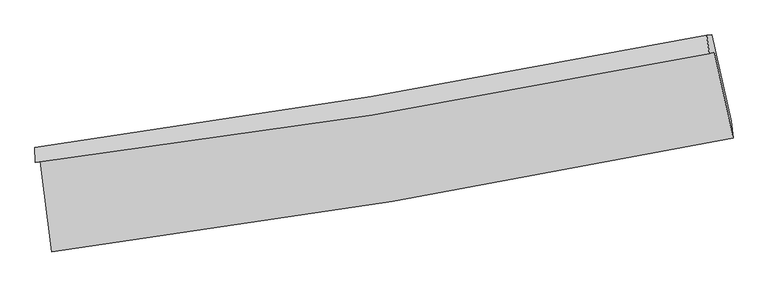
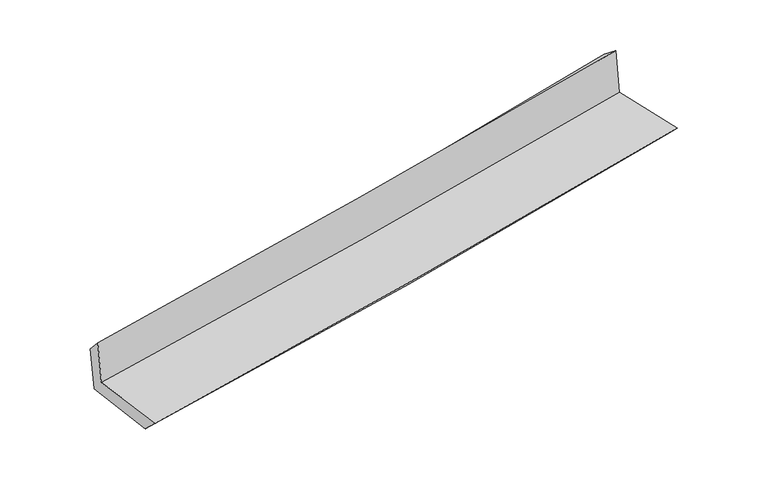
"""IFC4 building model written with IfcOpenShell, lengths in millimetres: proxy geometry."""

from ifc_helpers import new_model, si_unit, frame, origin, place, context, project, spatial, source, transform, mapped, element, save
from ifc_brep_helpers import plane_surface, spline_curve, spline_surface, advanced_brep


def generic_models_5d172f0b(model_context):
    return source(origin(), model_context, "Body", "AdvancedBrep", [
        advanced_brep(
        [(-2558.8700337, -1886.2290459, 1661.5294442), (-2472.1865589, -2566.5332358, 1663.178163), (2644.0991909, -1711.1446552, 2118.9622337), (2503.502883, -1065.7635596, 2111.806903), (-2595.4787237, -1894.6464134, 2051.9589528), (2465.0829718, -1074.5973778, 2521.5529777), (-2598.0095281, -1781.3404502, 1928.3230706), (2445.4244735, -935.3674172, 2411.640414), (-2560.5244981, -1780.069316, 1538.2654676), (2483.7306982, -934.3674089, 2020.4639567), (-2477.1051103, -2420.1576962, 1520.5439111), (2628.4690244, -1581.2587845, 1988.9195935)],
        [
            (0, 1),
            (1, 2, spline_curve(3, [(-2472.1865589, -2566.5332358, 1663.178163), (-1617.149894203, -2456.710997282, 1753.300885132), (-764.197444266, -2330.707856004, 1836.277200679), (941.249355515, -2045.719755069, 1988.267685801), (1793.72548889, -1886.593369185, 2057.219393854), (2644.0991909, -1711.1446552, 2118.9622337)], [4, 2, 4], [0.0, 8.477323221277612, 16.991612991182066])),
            (2, 3),
            (3, 0, spline_curve(3, [(2503.502883, -1065.7635596, 2111.806903), (1661.963169002, -1236.595773167, 2050.96074331), (818.406726146, -1390.495995582, 1982.917283333), (-869.068386672, -1663.837782735, 1832.762435579), (-1712.969582846, -1783.426055594, 1750.713409317), (-2558.8700337, -1886.2290459, 1661.5294442)], [4, 2, 4], [0.0, 8.514289769904455, 16.991612991182066])),
            (4, 0),
            (3, 5),
            (5, 4, spline_curve(3, [(2465.0829718, -1074.5973778, 2521.5529777), (1623.517854041, -1245.435432292, 2460.977749664), (780.100329272, -1399.303713647, 2391.452734913), (-906.769619578, -1672.506356588, 2234.843847453), (-1750.205993231, -1791.987753695, 2147.837520303), (-2595.4787237, -1894.6464134, 2051.9589528)], [4, 2, 4], [0.0, 8.465770054504851, 16.89478421875451])),
            (6, 4),
            (5, 7),
            (7, 6, spline_curve(3, [(2445.4244735, -935.3674172, 2411.640414), (1607.905626795, -1102.967542354, 2327.584601081), (767.940361406, -1257.390124345, 2245.196244751), (-913.225503182, -1539.266957928, 2084.104911319), (-1754.40490475, -1666.835386643, 2005.387486503), (-2598.0095281, -1781.3404502, 1928.3230706)], [4, 2, 4], [0.0, 8.455572354947131, 16.87443309505919])),
            (8, 6),
            (7, 9),
            (9, 8, spline_curve(3, [(2483.7306982, -934.3674089, 2020.4639567), (1646.009173218, -1101.800602999, 1936.988174266), (805.874058023, -1256.117208649, 1854.982846085), (-875.565253694, -1537.904194893, 1694.262757313), (-1716.848537137, -1665.488224697, 1615.535255737), (-2560.5244981, -1780.069316, 1538.2654676)], [4, 2, 4], [0.0, 8.446380568406143, 16.856089430018084])),
            (10, 8),
            (9, 11),
            (11, 10, spline_curve(3, [(2628.4690244, -1581.2587845, 1988.9195935), (1779.909324697, -1749.113219679, 1914.01593105), (929.234742012, -1903.070602127, 1837.44425649), (-772.641627507, -2182.583161005, 1681.304576679), (-1623.825089664, -2308.258749075, 1601.751023643), (-2477.1051103, -2420.1576962, 1520.5439111)], [4, 2, 4], [0.0, 8.494484923847645, 16.952089285900538])),
            (1, 10),
            (11, 2),
        ],
        [
            spline_surface(3, 3, [[(-2558.8700337, -1886.2290459, 1661.5294442), (-1712.969582806, -1783.426055673, 1750.713409383), (-869.068386749, -1663.837782718, 1832.762435593), (818.406726224, -1390.495995599, 1982.917283319), (1661.963169071, -1236.595773095, 2050.960743382), (2503.502883, -1065.7635596, 2111.806903)], [(-2529.975542087, -2112.997109201, 1662.079017133), (-1681.029686617, -2007.854369524, 1751.575901254), (-834.111405927, -1886.127807139, 1833.93402393), (859.354269354, -1608.903915389, 1984.700750833), (1705.883942351, -1453.261638504, 2053.046960199), (2550.368318962, -1280.890591469, 2114.192013237)], [(-2501.081050513, -2339.765172499, 1662.628590067), (-1649.089790467, -2232.28268337, 1752.438393126), (-799.154425146, -2108.417831621, 1835.105612274), (900.301812442, -1827.311835241, 1986.484218355), (1749.804715644, -1669.927503906, 2055.133177004), (2597.233754938, -1496.017623331, 2116.577123463)], [(-2472.1865589, -2566.5332358, 1663.178163), (-1617.149894278, -2456.71099722, 1753.300884997), (-764.197444324, -2330.707856042, 1836.277200611), (941.249355572, -2045.719755031, 1988.26768587), (1793.725488924, -1886.593369315, 2057.219393821), (2644.0991909, -1711.1446552, 2118.9622337)]], [4, 4], [4, 2, 4], [0.0, 2.2007112352398877], [0.0, 8.477323221277612, 16.991612991182066]),
            spline_surface(3, 3, [[(-2595.4787237, -1894.6464134, 2051.9589528), (-1750.205993348, -1791.987753781, 2147.837520352), (-906.76961956, -1672.506356547, 2234.843847377), (780.100329253, -1399.303713689, 2391.452734989), (1623.517853929, -1245.435432376, 2460.977749617), (2465.0829718, -1074.5973778, 2521.5529777)], [(-2583.275827031, -1891.840624234, 1921.815783269), (-1737.793856498, -1789.133854413, 2015.462816698), (-894.202541989, -1669.616831948, 2100.816710109), (792.869128211, -1396.36780767, 2255.274251093), (1636.332958958, -1242.488879288, 2324.305414214), (2477.889608848, -1071.65277174, 2384.970952809)], [(-2571.072930369, -1889.034835066, 1791.672613731), (-1725.381719655, -1786.279955042, 1883.088113036), (-881.63546432, -1666.727307317, 1966.789572861), (805.637927266, -1393.431901618, 2119.095767215), (1649.148064042, -1239.542326183, 2187.633078785), (2490.696245952, -1068.70816566, 2248.388927891)], [(-2558.8700337, -1886.2290459, 1661.5294442), (-1712.969582806, -1783.426055673, 1750.713409383), (-869.068386749, -1663.837782718, 1832.762435593), (818.406726224, -1390.495995599, 1982.917283319), (1661.963169071, -1236.595773095, 2050.960743382), (2503.502883, -1065.7635596, 2111.806903)]], [4, 4], [4, 2, 4], [0.0, 1.3359386574427408], [0.0, 8.429014164249658, 16.89478421875451]),
            spline_surface(3, 3, [[(-2598.0095281, -1781.3404502, 1928.3230706), (-1754.404904722, -1666.835386724, 2005.387486606), (-913.225503063, -1539.266957815, 2084.104911366), (767.940361287, -1257.390124458, 2245.196244703), (1607.905626829, -1102.967542384, 2327.584601106), (2445.4244735, -935.3674172, 2411.640414)], [(-2597.165926628, -1819.109104601, 1969.53503133), (-1753.005267592, -1708.552842411, 2052.870831185), (-911.073541872, -1583.680090739, 2134.351223384), (771.993683966, -1304.694654215, 2293.948408146), (1613.109702552, -1150.456839065, 2372.048983946), (2451.97730629, -981.777404083, 2448.277935236)], [(-2596.322325172, -1856.877758999, 2010.74699207), (-1751.605630477, -1750.270298095, 2100.354175773), (-908.921580751, -1628.093223623, 2184.597535359), (776.047006574, -1351.999183932, 2342.700571546), (1618.313778206, -1197.946135696, 2416.513366777), (2458.53013901, -1028.187390917, 2484.915456464)], [(-2595.4787237, -1894.6464134, 2051.9589528), (-1750.205993348, -1791.987753781, 2147.837520352), (-906.76961956, -1672.506356547, 2234.843847377), (780.100329253, -1399.303713689, 2391.452734989), (1623.517853929, -1245.435432376, 2460.977749617), (2465.0829718, -1074.5973778, 2521.5529777)]], [4, 4], [4, 2, 4], [0.0, 0.6648698640342676], [0.0, 8.418860740112057, 16.87443309505919]),
            spline_surface(3, 3, [[(-2560.5244981, -1780.069316, 1538.2654676), (-1716.848537099, -1665.488224771, 1615.535255706), (-875.565253573, -1537.904194863, 1694.262757275), (805.874057902, -1256.117208679, 1854.982846123), (1646.009173133, -1101.800602862, 1936.988174271), (2483.7306982, -934.3674089, 2020.4639567)], [(-2573.019508105, -1780.493027407, 1668.284668597), (-1729.367326312, -1665.937278762, 1745.485999337), (-888.118670075, -1538.358449172, 1824.210141957), (793.229492359, -1256.54151393, 1985.053978968), (1633.307991022, -1102.189582688, 2067.186983206), (2470.961956624, -934.700744986, 2150.856109123)], [(-2585.514518095, -1780.916738793, 1798.303869603), (-1741.886115509, -1666.386332733, 1875.436742976), (-900.672086562, -1538.812703507, 1954.157526685), (780.584926829, -1256.965819207, 2115.125111858), (1620.60680894, -1102.578562557, 2197.385792171), (2458.193215076, -935.034081114, 2281.248261577)], [(-2598.0095281, -1781.3404502, 1928.3230706), (-1754.404904722, -1666.835386724, 2005.387486606), (-913.225503063, -1539.266957815, 2084.104911366), (767.940361287, -1257.390124458, 2245.196244703), (1607.905626829, -1102.967542384, 2327.584601106), (2445.4244735, -935.3674172, 2411.640414)]], [4, 4], [4, 2, 4], [0.0, 1.2856233540428004], [0.0, 8.409708861611941, 16.856089430018084]),
            spline_surface(3, 3, [[(-2477.1051103, -2420.1576962, 1520.5439111), (-1623.825089717, -2308.258748939, 1601.751023644), (-772.641627469, -2182.58316091, 1681.304576557), (929.234741974, -1903.070602223, 1837.444256613), (1779.909324612, -1749.1132197, 1914.015931183), (2628.4690244, -1581.2587845, 1988.9195935)], [(-2504.911572914, -2206.794902783, 1526.451096602), (-1654.832905525, -2094.001907533, 1606.345767667), (-806.94950284, -1967.690172233, 1685.623970154), (888.114513946, -1687.419471048, 1843.29045314), (1735.275940769, -1533.342347423, 1921.673345548), (2580.22291565, -1365.628325969, 1999.434381235)], [(-2532.718035486, -1993.432109417, 1532.358282098), (-1685.840721291, -1879.745066177, 1610.940511684), (-841.257378202, -1752.79718354, 1689.943363679), (846.994285929, -1471.768339855, 1849.136649596), (1690.642556976, -1317.571475139, 1929.330759907), (2531.97680695, -1149.997867431, 2009.949168965)], [(-2560.5244981, -1780.069316, 1538.2654676), (-1716.848537099, -1665.488224771, 1615.535255706), (-875.565253573, -1537.904194863, 1694.262757275), (805.874057902, -1256.117208679, 1854.982846123), (1646.009173133, -1101.800602862, 1936.988174271), (2483.7306982, -934.3674089, 2020.4639567)]], [4, 4], [4, 2, 4], [0.0, 2.1517131388224904], [0.0, 8.457604362052892, 16.952089285900538]),
            spline_surface(3, 3, [[(-2472.1865589, -2566.5332358, 1663.178163), (-1617.149894278, -2456.71099722, 1753.300884997), (-764.197444324, -2330.707856042, 1836.277200611), (941.249355572, -2045.719755031, 1988.26768587), (1793.725488924, -1886.593369315, 2057.219393821), (2644.0991909, -1711.1446552, 2118.9622337)], [(-2473.826076034, -2517.741389274, 1615.633412369), (-1619.374959425, -2407.226914467, 1702.784264548), (-767.012172036, -2281.332957664, 1784.619659245), (937.244484375, -1998.170037428, 1937.993209437), (1789.120100846, -1840.766652763, 2009.484906268), (2638.889135426, -1667.849364953, 2075.61468696)], [(-2475.465593166, -2468.949542726, 1568.088661731), (-1621.60002457, -2357.742831692, 1652.267644093), (-769.826899756, -2231.958059288, 1732.962117922), (933.239613171, -1950.620319827, 1887.718733046), (1784.51471269, -1794.939936252, 1961.750418736), (2633.679079874, -1624.554074747, 2032.26714024)], [(-2477.1051103, -2420.1576962, 1520.5439111), (-1623.825089717, -2308.258748939, 1601.751023644), (-772.641627469, -2182.58316091, 1681.304576557), (929.234741974, -1903.070602223, 1837.444256613), (1779.909324612, -1749.1132197, 1914.015931183), (2628.4690244, -1581.2587845, 1988.9195935)]], [4, 4], [4, 2, 4], [0.0, 0.6929775851435842], [0.0, 8.515291557899788, 17.067715230646485]),
            plane_surface(frame((2528.3848736, -1217.0832005, 2195.5576798), z_axis=(0.972371232540123, 0.21289286568170593, 0.09576436639080996), x_axis=(-0.0974591989768611, -0.002544234114695215, 0.995236269137916))),
            plane_surface(frame((-2543.6957421, -2054.8293596, 1727.2998349), z_axis=(-0.9874354466985102, -0.12604871086826058, -0.09530457015150656), x_axis=(-0.1263964060209709, 0.9919768994530458, -0.002404058340357459))),
        ],
        [
            (0, [[1, 2, 3, 4]]),
            (1, [[5, -4, 6, 7]]),
            (2, [[8, -7, 9, 10]]),
            (3, [[11, -10, 12, 13]]),
            (4, [[14, -13, 15, 16]]),
            (5, [[17, -16, 18, -2]]),
            (6, [[-12, -9, -6, -3, -18, -15]]),
            (7, [[-1, -5, -8, -11, -14, -17]]),
        ],
    ),
    ])


if __name__ == "__main__":
    model = new_model("IFC4")
    model_context = context("Model", 3, world=origin())
    ifc_project = project(units=[si_unit("LENGTHUNIT", "METRE", prefix="MILLI")], contexts=[model_context])
    site = spatial("IfcSite", under=ifc_project)
    building = spatial("IfcBuilding", under=site)
    placement = place(None, origin())
    generic_models_shape = generic_models_5d172f0b(model_context)
    element("IfcBuildingElementProxy", 1, Name="Generic Models", at=placement, inside=building, context=model_context, shape_type="MappedRepresentation", body=[
        mapped(generic_models_shape, transform((0.0, 0.0, 0.0), x_axis=(1.0, 0.0, 0.0), y_axis=(0.0, 1.0, 0.0), z_axis=(0.0, 0.0, 1.0))),
    ])
    save(model, "model.ifc")
